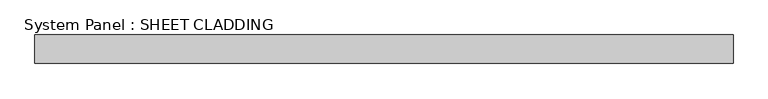
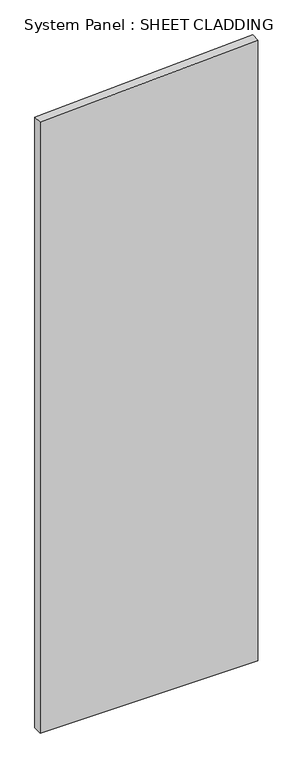
"""IFC4 building model written with IfcOpenShell, lengths in millimetres: plate geometry, System Panel : SHEET CLADDING."""

from ifc_helpers import new_model, si_unit, frame, origin, place, context, project, spatial, polyline, outline, extrude, source, transform, mapped, element, save


def system_panel_sheet_cladding_789c390b(model_context):
    return source(origin(), model_context, "Body", "SweptSolid", [
        extrude(outline(polyline([(0.0, -735.4591837), (0.0, 735.4591837), (4432.472449, 735.4591837), (4358.9265306, -735.4591837), (0.0, -735.4591837)])), frame((0.0, -10.5, 0.0), z_axis=(0.0, 1.0, 0.0), x_axis=(0.0, 0.0, 1.0)), (0.0, 0.0, 1.0), 60.0),
    ])


if __name__ == "__main__":
    model = new_model("IFC4")
    model_context = context("Model", 3, world=origin())
    ifc_project = project(units=[si_unit("LENGTHUNIT", "METRE", prefix="MILLI")], contexts=[model_context])
    site = spatial("IfcSite", under=ifc_project)
    building = spatial("IfcBuilding", under=site)
    placement = place(None, origin())
    system_panel_sheet_cladding_shape = system_panel_sheet_cladding_789c390b(model_context)
    element("IfcPlate", 1, ObjectType="System Panel : SHEET CLADDING", at=placement, inside=building, context=model_context, shape_type="MappedRepresentation", body=[
        mapped(system_panel_sheet_cladding_shape, transform((0.0, 0.0, 0.0), x_axis=(1.0, 0.0, 0.0), y_axis=(0.0, 1.0, 0.0), z_axis=(0.0, 0.0, 1.0))),
    ])
    save(model, "model.ifc")
